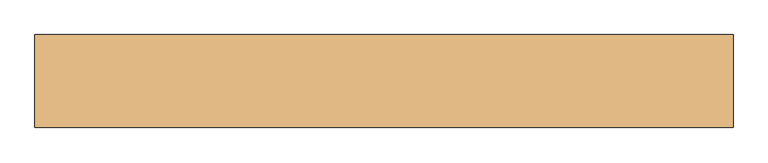
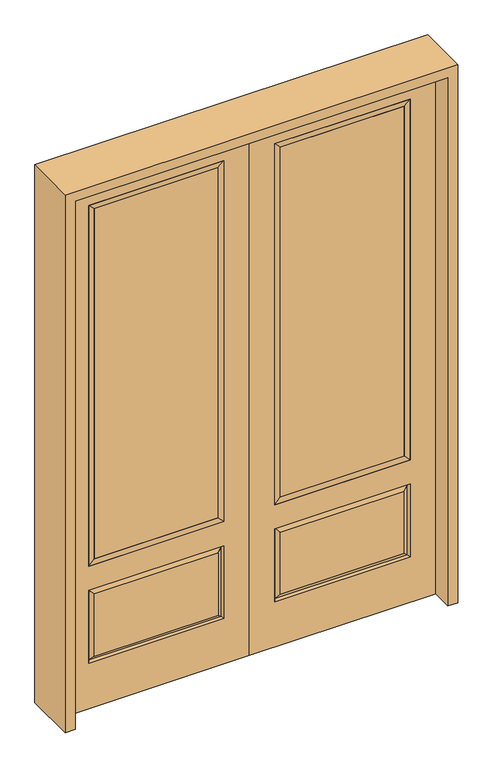
"""IFC4 building model written with IfcOpenShell, lengths in millimetres: door geometry."""

from ifc_helpers import new_model, si_unit, frame, origin, place, context, project, spatial, polyline, outline, extrude, faceted_brep, source, transform, mapped, element, save


def door_53a78662(model_context):
    return source(origin(), model_context, "Body", "SolidModel", [
        extrude(outline(polyline([(136.525, -20.32), (136.525, 5.08), (676.275, 5.08), (676.275, -20.32), (136.525, -20.32)])), frame((0.0, 0.0, 682.498), z_axis=(0.0, 0.0, 1.0), x_axis=(1.0, 0.0, 0.0)), (0.0, 0.0, 1.0), 1616.202),
        faceted_brep([(694.5661499, -12.7912373, 216.6588501), (677.06875, -22.225, 234.15625), (135.73125, -22.225, 234.15625), (118.2338501, -12.7912373, 216.6588501), (111.125, -22.225, 209.55), (701.675, -22.225, 209.55), (701.675, -22.225, 546.1), (694.5661499, -12.7912373, 538.9911499), (0.0, -22.225, 2438.4), (0.0, -22.225, 0.0), (812.8, -22.225, 0.0), (812.8, -22.225, 2438.4), (111.125, -22.225, 546.1), (111.125, -22.225, 2324.1), (701.675, -22.225, 2324.1), (701.675, -22.225, 657.098), (111.125, -22.225, 657.098), (677.06875, -22.225, 521.49375), (135.73125, -22.225, 521.49375), (118.2338501, -12.7912373, 538.9911499), (812.8, 22.225, 0.0), (812.8, 22.225, 2438.4), (0.0, 22.225, 0.0), (0.0, 22.225, 2438.4), (111.125, 22.225, 657.098), (111.125, 22.225, 2324.1), (701.675, 22.225, 657.098), (701.675, 22.225, 2324.1), (135.73125, 22.225, 234.15625), (135.73125, 22.225, 521.49375), (677.06875, 22.225, 521.49375), (677.06875, 22.225, 234.15625), (701.675, 22.225, 209.55), (701.675, 22.225, 546.1), (111.125, 22.225, 546.1), (111.125, 22.225, 209.55), (118.2338501, 12.7912373, 216.6588501), (694.5661499, 12.7912373, 216.6588501), (118.2338501, 12.7912373, 538.9911499), (694.5661499, 12.7912373, 538.9911499)], [[[0, 1, 2, 3]], [[3, 4, 5, 0]], [[5, 6, 7, 0]], [[8, 9, 10, 11], [4, 12, 6, 5], [13, 14, 15, 16]], [[1, 17, 18, 2]], [[3, 19, 12, 4]], [[2, 18, 19, 3]], [[0, 7, 17, 1]], [[6, 12, 19, 7]], [[7, 19, 18, 17]], [[10, 20, 21, 11]], [[9, 22, 20, 10]], [[8, 23, 22, 9]], [[16, 24, 25, 13]], [[15, 26, 24, 16]], [[14, 27, 26, 15]], [[28, 29, 30, 31]], [[23, 21, 20, 22], [25, 24, 26, 27], [32, 33, 34, 35]], [[32, 35, 36, 37]], [[35, 34, 38, 36]], [[39, 38, 34, 33]], [[37, 39, 33, 32]], [[36, 28, 31, 37]], [[31, 30, 39, 37]], [[30, 29, 38, 39]], [[36, 38, 29, 28]], [[11, 21, 23, 8]], [[13, 25, 27, 14]]]),
        faceted_brep([(701.675, -22.225, 2324.1), (701.675, -22.225, 657.098), (701.675, 22.225, 657.098), (701.675, 22.225, 2324.1), (111.125, -22.225, 657.098), (111.125, 22.225, 657.098), (136.525, 5.08, 682.498), (676.275, 5.08, 682.498), (111.125, -22.225, 2324.1), (111.125, 22.225, 2324.1), (676.275, -20.32, 682.498), (136.525, -20.32, 682.498), (676.275, -20.32, 2298.7), (136.525, -20.32, 2298.7), (676.275, 5.08, 2298.7), (136.525, 5.08, 2298.7)], [[[0, 1, 2, 3]], [[1, 4, 5, 2]], [[2, 5, 6, 7]], [[4, 8, 9, 5]], [[10, 11, 4, 1]], [[12, 10, 1, 0]], [[11, 13, 8, 4]], [[7, 6, 11, 10]], [[14, 7, 10, 12]], [[6, 15, 13, 11]], [[3, 2, 7, 14]], [[5, 9, 15, 6]], [[8, 0, 3, 9]], [[13, 12, 0, 8]], [[15, 14, 12, 13]], [[9, 3, 14, 15]]]),
        extrude(outline(polyline([(-136.525, -20.32), (-676.275, -20.32), (-676.275, 5.08), (-136.525, 5.08), (-136.525, -20.32)])), frame((0.0, 0.0, 682.498), z_axis=(0.0, 0.0, 1.0), x_axis=(1.0, 0.0, 0.0)), (0.0, 0.0, 1.0), 1616.202),
        faceted_brep([(-694.5661499, -12.7912373, 216.6588501), (-118.2338501, -12.7912373, 216.6588501), (-135.73125, -22.225, 234.15625), (-677.06875, -22.225, 234.15625), (-701.675, -22.225, 209.55), (-111.125, -22.225, 209.55), (-694.5661499, -12.7912373, 538.9911499), (-701.675, -22.225, 546.1), (-135.73125, -22.225, 521.49375), (-677.06875, -22.225, 521.49375), (0.0, -22.225, 2438.4), (-812.8, -22.225, 2438.4), (-812.8, -22.225, 0.0), (0.0, -22.225, 0.0), (-111.125, -22.225, 546.1), (-111.125, -22.225, 2324.1), (-111.125, -22.225, 657.098), (-701.675, -22.225, 657.098), (-701.675, -22.225, 2324.1), (-118.2338501, -12.7912373, 538.9911499), (-812.8, 22.225, 2438.4), (-812.8, 22.225, 0.0), (0.0, 22.225, 0.0), (0.0, 22.225, 2438.4), (-111.125, 22.225, 2324.1), (-111.125, 22.225, 657.098), (-701.675, 22.225, 657.098), (-701.675, 22.225, 2324.1), (-701.675, 22.225, 209.55), (-111.125, 22.225, 209.55), (-111.125, 22.225, 546.1), (-701.675, 22.225, 546.1), (-135.73125, 22.225, 234.15625), (-677.06875, 22.225, 234.15625), (-677.06875, 22.225, 521.49375), (-135.73125, 22.225, 521.49375), (-694.5661499, 12.7912373, 216.6588501), (-118.2338501, 12.7912373, 216.6588501), (-118.2338501, 12.7912373, 538.9911499), (-694.5661499, 12.7912373, 538.9911499)], [[[0, 1, 2, 3]], [[1, 0, 4, 5]], [[4, 0, 6, 7]], [[3, 2, 8, 9]], [[10, 11, 12, 13], [5, 4, 7, 14], [15, 16, 17, 18]], [[1, 5, 14, 19]], [[2, 1, 19, 8]], [[0, 3, 9, 6]], [[7, 6, 19, 14]], [[6, 9, 8, 19]], [[12, 11, 20, 21]], [[13, 12, 21, 22]], [[10, 13, 22, 23]], [[16, 15, 24, 25]], [[17, 16, 25, 26]], [[18, 17, 26, 27]], [[23, 22, 21, 20], [28, 29, 30, 31], [24, 27, 26, 25]], [[32, 33, 34, 35]], [[28, 36, 37, 29]], [[29, 37, 38, 30]], [[39, 31, 30, 38]], [[36, 28, 31, 39]], [[37, 36, 33, 32]], [[33, 36, 39, 34]], [[34, 39, 38, 35]], [[37, 32, 35, 38]], [[11, 10, 23, 20]], [[15, 18, 27, 24]]]),
        faceted_brep([(-701.675, -22.225, 2324.1), (-701.675, 22.225, 2324.1), (-701.675, 22.225, 657.098), (-701.675, -22.225, 657.098), (-111.125, 22.225, 657.098), (-111.125, -22.225, 657.098), (-676.275, 5.08, 682.498), (-136.525, 5.08, 682.498), (-111.125, 22.225, 2324.1), (-111.125, -22.225, 2324.1), (-676.275, -20.32, 682.498), (-136.525, -20.32, 682.498), (-676.275, -20.32, 2298.7), (-136.525, -20.32, 2298.7), (-676.275, 5.08, 2298.7), (-136.525, 5.08, 2298.7)], [[[0, 1, 2, 3]], [[3, 2, 4, 5]], [[2, 6, 7, 4]], [[5, 4, 8, 9]], [[10, 3, 5, 11]], [[12, 0, 3, 10]], [[11, 5, 9, 13]], [[6, 10, 11, 7]], [[14, 12, 10, 6]], [[7, 11, 13, 15]], [[1, 14, 6, 2]], [[4, 7, 15, 8]], [[9, 8, 1, 0]], [[13, 9, 0, 12]], [[15, 13, 12, 14]], [[8, 15, 14, 1]]]),
        extrude(outline(polyline([(2482.85, -857.25), (0.0, -857.25), (0.0, -812.8), (2438.4, -812.8), (2438.4, 812.8), (0.0, 812.8), (0.0, 857.25), (2482.85, 857.25), (2482.85, -857.25)])), frame((0.0, -114.3, 0.0), z_axis=(0.0, 1.0, 0.0), x_axis=(0.0, 0.0, 1.0)), (0.0, 0.0, 1.0), 228.6),
    ])


if __name__ == "__main__":
    model = new_model("IFC4")
    model_context = context("Model", 3, world=origin())
    ifc_project = project(units=[si_unit("LENGTHUNIT", "METRE", prefix="MILLI")], contexts=[model_context])
    site = spatial("IfcSite", under=ifc_project)
    building = spatial("IfcBuilding", under=site)
    placement = place(None, origin())
    door_shape = door_53a78662(model_context)
    element("IfcDoor", 1, at=placement, inside=building, context=model_context, shape_type="MappedRepresentation", body=[
        mapped(door_shape, transform((0.0, 0.0, 0.0), x_axis=(1.0, 0.0, 0.0), y_axis=(0.0, 1.0, 0.0), z_axis=(0.0, 0.0, 1.0))),
    ])
    save(model, "model.ifc")
